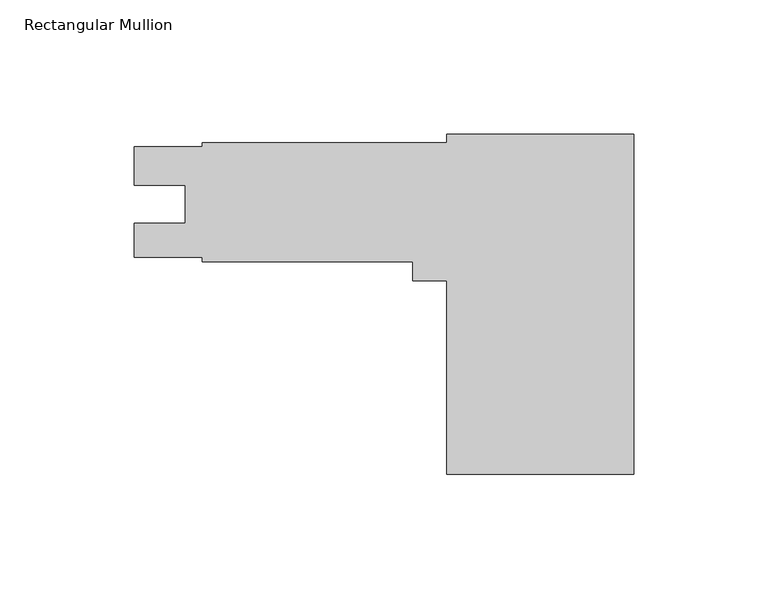
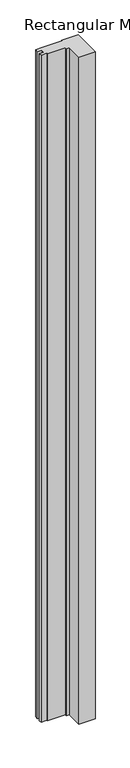
"""IFC4 building model written with IfcOpenShell, lengths in millimetres: member geometry, Rectangular Mullion."""

from ifc_helpers import new_model, si_unit, frame, origin, place, context, project, spatial, polyline, outline, extrude, source, transform, mapped, element, save


def rectangular_mullion_6adbf01b(model_context):
    return source(origin(), model_context, "Body", "SweptSolid", [
        extrude(outline(polyline([(-161.13125, 42.1576337), (-161.13125, 43.74515), (-69.85, 43.74515), (-69.85, 46.92015), (0.0, 46.92015), (0.0, -80.07985), (-69.85, -80.07985), (-69.85, -7.867523), (-82.55, -7.867523), (-82.55, -0.70485), (-161.13125, -0.70485), (-161.13125, 0.89535), (-186.53125, 0.89535), (-186.53125, 13.60805), (-167.4939509, 13.60805), (-167.4939509, 27.89555), (-186.53125, 27.89555), (-186.53125, 42.1576337), (-161.13125, 42.1576337)])), frame((0.0, 0.0, -3048.0), z_axis=(0.0, 0.0, 1.0), x_axis=(1.0, 0.0, 0.0)), (0.0, 0.0, 1.0), 3048.0),
    ])


if __name__ == "__main__":
    model = new_model("IFC4")
    model_context = context("Model", 3, world=origin())
    ifc_project = project(units=[si_unit("LENGTHUNIT", "METRE", prefix="MILLI")], contexts=[model_context])
    site = spatial("IfcSite", under=ifc_project)
    building = spatial("IfcBuilding", under=site)
    placement = place(None, origin())
    rectangular_mullion_shape = rectangular_mullion_6adbf01b(model_context)
    element("IfcMember", 1, ObjectType="Rectangular Mullion", at=placement, inside=building, context=model_context, shape_type="MappedRepresentation", body=[
        mapped(rectangular_mullion_shape, transform((0.0, 0.0, 0.0), x_axis=(1.0, 0.0, 0.0), y_axis=(0.0, 1.0, 0.0), z_axis=(0.0, 0.0, 1.0))),
    ])
    save(model, "model.ifc")
